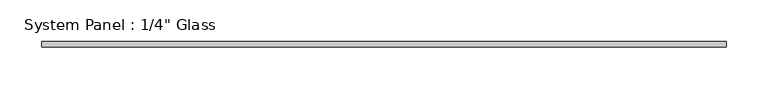
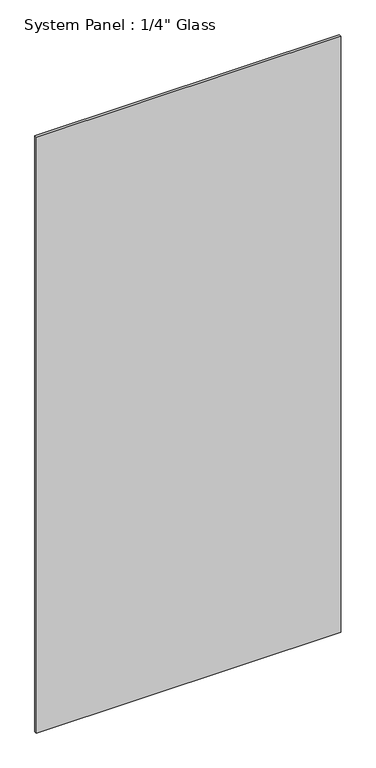
"""IFC4 building model written with IfcOpenShell, lengths in millimetres: plate geometry."""

from ifc_helpers import new_model, si_unit, origin, origin_with_axes, place, context, project, spatial, polyline, outline, extrude, source, transform, mapped, element, save


def plate_86983b55(model_context):
    return source(origin(), model_context, "Body", "SweptSolid", [
        extrude(outline(polyline([(409.575, -3.175), (-409.575, -3.175), (-409.575, 3.175), (409.575, 3.175), (409.575, -3.175)])), origin_with_axes(), (0.0, 0.0, 1.0), 1695.45),
    ])


if __name__ == "__main__":
    model = new_model("IFC4")
    model_context = context("Model", 3, world=origin())
    ifc_project = project(units=[si_unit("LENGTHUNIT", "METRE", prefix="MILLI")], contexts=[model_context])
    site = spatial("IfcSite", under=ifc_project)
    building = spatial("IfcBuilding", under=site)
    placement = place(None, origin())
    plate_shape = plate_86983b55(model_context)
    element("IfcPlate", 1, ObjectType="System Panel : 1/4\" Glass", at=placement, inside=building, context=model_context, shape_type="MappedRepresentation", body=[
        mapped(plate_shape, transform((0.0, 0.0, 0.0), x_axis=(1.0, 0.0, 0.0), y_axis=(0.0, 1.0, 0.0), z_axis=(0.0, 0.0, 1.0))),
    ])
    save(model, "model.ifc")
